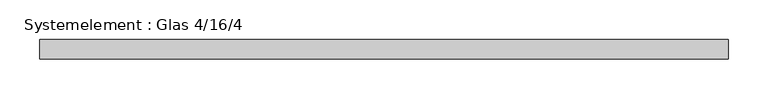
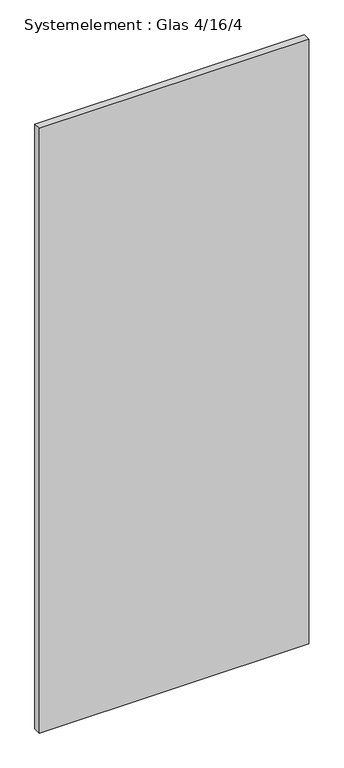
"""IFC4 building model written with IfcOpenShell, lengths in millimetres: plate geometry, Systemelement : Glas 4/16/4."""

from ifc_helpers import new_model, si_unit, origin, origin_with_axes, place, context, project, spatial, polyline, outline, extrude, source, transform, mapped, element, save


def systemelement_glas_4_16_4_d5799c53(model_context):
    return source(origin(), model_context, "Body", "SweptSolid", [
        extrude(outline(polyline([(431.2499999, -12.0), (-431.2499999, -12.0), (-431.2499999, 12.0), (431.2499999, 12.0), (431.2499999, -12.0)])), origin_with_axes(), (0.0, 0.0, 1.0), 2045.0),
    ])


if __name__ == "__main__":
    model = new_model("IFC4")
    model_context = context("Model", 3, world=origin())
    ifc_project = project(units=[si_unit("LENGTHUNIT", "METRE", prefix="MILLI")], contexts=[model_context])
    site = spatial("IfcSite", under=ifc_project)
    building = spatial("IfcBuilding", under=site)
    placement = place(None, origin())
    systemelement_glas_4_16_4_shape = systemelement_glas_4_16_4_d5799c53(model_context)
    element("IfcPlate", 1, ObjectType="Systemelement : Glas 4/16/4", at=placement, inside=building, context=model_context, shape_type="MappedRepresentation", body=[
        mapped(systemelement_glas_4_16_4_shape, transform((0.0, 0.0, 0.0), x_axis=(1.0, 0.0, 0.0), y_axis=(0.0, 1.0, 0.0), z_axis=(0.0, 0.0, 1.0))),
    ])
    save(model, "model.ifc")
